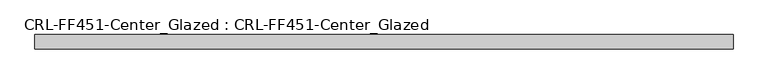
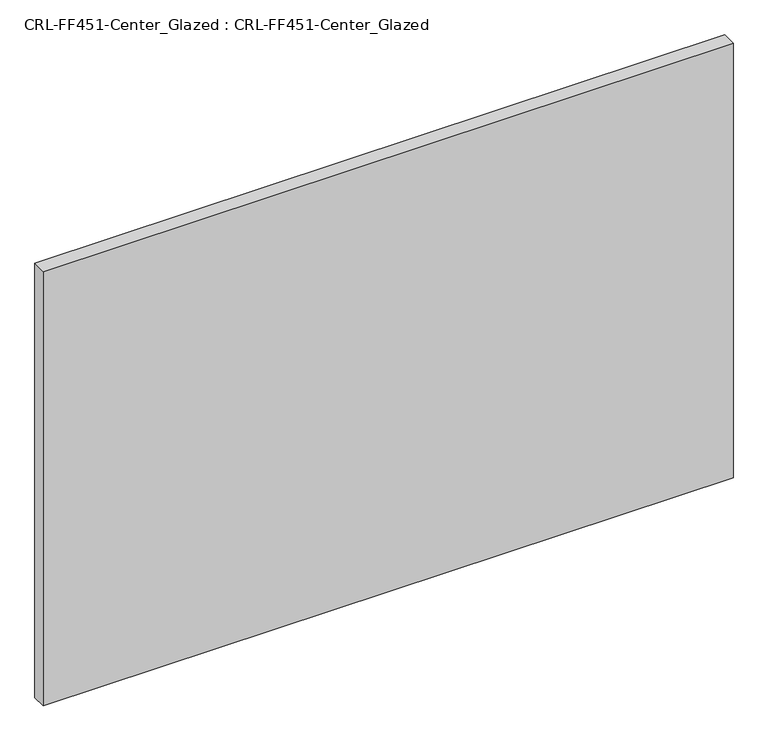
"""IFC4 building model written with IfcOpenShell, lengths in millimetres: plate geometry, CRL-FF451-Center_Glazed : CRL-FF451-Center_Glazed."""

import ifcopenshell
import ifcopenshell.guid

model = None  # the IFC model being written
_history = None  # IfcOwnerHistory: only IFC2X3 demands one
_inside = {}  # id of a spatial element -> (the spatial element, [elements in it])
_under = {}  # id of a project, library or spatial element -> (it, [spatial elements below it])
_declared = {}  # id of a project -> (the project, [libraries it declares])
_typed = {}  # id of a type object -> (the type object, [elements of that type])
_made_of = {}  # id of a material, layer set ... -> (it, [elements and type objects made of it])


def new_model(schema):
    """Start an empty IFC model of exactly this schema.

    Asked for "IFC4X3", IfcOpenShell would pick the latest addendum, in which some entities
    have other attributes; the version numbers below select the first issue.
    IFC2X3 requires an IfcOwnerHistory on every rooted entity: one is made here for all.
    """
    global model, _history
    if schema == "IFC4X3":
        model = ifcopenshell.file(schema_version=(4, 3, 0, 0))
    else:
        model = ifcopenshell.file(schema=schema)
    _inside.clear()
    _under.clear()
    _declared.clear()
    _typed.clear()
    _made_of.clear()
    _history = None
    if model.schema == "IFC2X3":
        org = make("IfcOrganization", Name="unknown")
        user = make(
            "IfcPersonAndOrganization",
            ThePerson=make("IfcPerson", FamilyName="unknown"),
            TheOrganization=org,
        )
        app = make(
            "IfcApplication",
            ApplicationDeveloper=org,
            Version="unknown",
            ApplicationFullName="unknown",
            ApplicationIdentifier="unknown",
        )
        _history = make(
            "IfcOwnerHistory",
            OwningUser=user,
            OwningApplication=app,
            ChangeAction="ADDED",
            CreationDate=0,
        )
    return model


def make(cls, **values):
    """One entity of the class cls with the attributes given. An attribute that is None is left unset."""
    return model.create_entity(
        cls, **{name: value for name, value in values.items() if value is not None}
    )


def rooted(cls, **values):
    """An entity with a GlobalId (a new one), such as an element, a storey or a relation."""
    return make(cls, GlobalId=ifcopenshell.guid.new(), OwnerHistory=_history, **values)


def si_unit(unit_type, name, prefix=None):
    """IfcSIUnit, for example si_unit("LENGTHUNIT", "METRE", prefix="MILLI")."""
    return make("IfcSIUnit", UnitType=unit_type, Prefix=prefix, Name=name)


def assignment(units):
    """IfcUnitAssignment: the units of a project."""
    return None if units is None else make("IfcUnitAssignment", Units=units)


def point(xyz):
    """IfcCartesianPoint."""
    return None if xyz is None else make("IfcCartesianPoint", Coordinates=xyz)


def direction(xyz):
    """IfcDirection."""
    return None if xyz is None else make("IfcDirection", DirectionRatios=xyz)


def frame(location, z_axis=None, x_axis=None):
    """IfcAxis2Placement3D, a coordinate frame: its origin and axes. An axis left out is left unset."""
    return make(
        "IfcAxis2Placement3D",
        Location=point(location),
        Axis=direction(z_axis),
        RefDirection=direction(x_axis),
    )


def origin():
    """The frame at (0, 0, 0) with its axes left unset."""
    return frame((0.0, 0.0, 0.0))


def origin_with_axes():
    """The frame at (0, 0, 0) with the z axis (0, 0, 1) and the x axis (1, 0, 0) written out."""
    return frame((0.0, 0.0, 0.0), z_axis=(0.0, 0.0, 1.0), x_axis=(1.0, 0.0, 0.0))


def place(relative_to, where):
    """IfcLocalPlacement: puts the frame where relative to a parent placement (None: the world)."""
    return make(
        "IfcLocalPlacement", PlacementRelTo=relative_to, RelativePlacement=where
    )


def context(
    kind, dimensions, precision=None, world=None, true_north=None, identifier=None
):
    """IfcGeometricRepresentationContext, for example the 3D "Model" context."""
    return make(
        "IfcGeometricRepresentationContext",
        ContextIdentifier=identifier,
        ContextType=kind,
        CoordinateSpaceDimension=dimensions,
        Precision=precision,
        WorldCoordinateSystem=world,
        TrueNorth=true_north,
    )


def project(units=None, contexts=None):
    """IfcProject with its units and contexts."""
    return rooted(
        "IfcProject",
        Name="project",
        RepresentationContexts=contexts,
        UnitsInContext=assignment(units),
    )


def spatial(cls, under=None, at=None, **own):
    """A site, building, storey or space (cls), placed at a placement, below another one or the project."""
    s = rooted(cls, ObjectPlacement=at, **own)
    if under is not None:
        _under.setdefault(under.id(), (under, []))[1].append(s)
    return s


def polyline(points):
    """IfcPolyline through the points."""
    return make("IfcPolyline", Points=[point(p) for p in points])


def outline(outer, holes=None, kind="AREA"):
    """IfcArbitraryClosedProfileDef: a profile drawn as a closed curve; with holes, ...WithVoids."""
    if holes is None:
        return make("IfcArbitraryClosedProfileDef", ProfileType=kind, OuterCurve=outer)
    return make(
        "IfcArbitraryProfileDefWithVoids",
        ProfileType=kind,
        OuterCurve=outer,
        InnerCurves=holes,
    )


def extrude(swept, where, along, depth):
    """IfcExtrudedAreaSolid: the profile swept, set in the frame where, extruded along a direction by depth."""
    return make(
        "IfcExtrudedAreaSolid",
        SweptArea=swept,
        Position=where,
        ExtrudedDirection=direction(along),
        Depth=depth,
    )


def shape(context_of_items, identifier, shape_type, items):
    """IfcShapeRepresentation: the items that make up one representation, for example the "Body"."""
    return make(
        "IfcShapeRepresentation",
        ContextOfItems=context_of_items,
        RepresentationIdentifier=identifier,
        RepresentationType=shape_type,
        Items=items,
    )


def source(mapping_origin, context_of_items, identifier, shape_type, items):
    """IfcRepresentationMap: a shape defined once, which mapped items show again and again."""
    return make(
        "IfcRepresentationMap",
        MappingOrigin=mapping_origin,
        MappedRepresentation=shape(context_of_items, identifier, shape_type, items),
    )


def transform(
    local_origin,
    x_axis=None,
    y_axis=None,
    z_axis=None,
    scale=None,
    scale2=None,
    scale3=None,
    uniform=True,
):
    """IfcCartesianTransformationOperator3D, or its non-uniform kind. x_axis, y_axis, z_axis: its Axis1, 2, 3."""
    if uniform:
        return make(
            "IfcCartesianTransformationOperator3D",
            Axis1=direction(x_axis),
            Axis2=direction(y_axis),
            LocalOrigin=point(local_origin),
            Scale=scale,
            Axis3=direction(z_axis),
        )
    return make(
        "IfcCartesianTransformationOperator3DnonUniform",
        Axis1=direction(x_axis),
        Axis2=direction(y_axis),
        LocalOrigin=point(local_origin),
        Scale=scale,
        Axis3=direction(z_axis),
        Scale2=scale2,
        Scale3=scale3,
    )


def mapped(mapping_source, mapping_target):
    """IfcMappedItem: shows the shape of a source again, moved by a transform."""
    return make(
        "IfcMappedItem", MappingSource=mapping_source, MappingTarget=mapping_target
    )


def made_of(thing, what):
    """Note that an element or type object is made of a material, layer set ...; save() writes the relation."""
    if what is not None:
        _made_of.setdefault(what.id(), (what, []))[1].append(thing)
    return thing


def element(
    cls,
    number,
    at=None,
    inside=None,
    cuts=None,
    type_object=None,
    material=None,
    context=None,
    identifier="Body",
    shape_type=None,
    held_by="IfcProductDefinitionShape",
    body=None,
    shapes=None,
    **own,
):
    """One element of the class cls, such as IfcWall. Its Tag is "e" and its number.

    at: its placement. inside: the storey or other place that contains it. cuts: it is an
    opening in that element (IfcRelVoidsElement). A single representation is given by context,
    identifier, shape_type and body (its items); several are given by shapes. held_by: the class
    of the entity that holds the representations. save() writes the other relations.
    """
    e = rooted(cls, Tag="e%d" % number, ObjectPlacement=at, **own)
    if body is not None:
        shapes = [shape(context, identifier, shape_type, body)]
    if shapes is not None:
        e.Representation = make(held_by, Representations=shapes)
    if inside is not None:
        _inside.setdefault(inside.id(), (inside, []))[1].append(e)
    if cuts is not None:
        rooted(
            "IfcRelVoidsElement", RelatingBuildingElement=cuts, RelatedOpeningElement=e
        )
    if type_object is not None:
        _typed.setdefault(type_object.id(), (type_object, []))[1].append(e)
    return made_of(e, material)


def aggregate(whole, parts):
    """IfcRelAggregates: a whole, such as a stair, and the parts it consists of."""
    return rooted("IfcRelAggregates", RelatingObject=whole, RelatedObjects=parts)


def save(model, path):
    """Write the relations noted so far, then the file.

    IfcRelAggregates (storeys below a building ...), IfcRelContainedInSpatialStructure (elements
    in a storey), IfcRelDefinesByType, IfcRelAssociatesMaterial and IfcRelDeclares: one each for
    every whole, place, type object, material and project.
    """
    for whole, parts in _under.values():
        aggregate(whole, parts)
    for where, things in _inside.values():
        rooted(
            "IfcRelContainedInSpatialStructure",
            RelatedElements=things,
            RelatingStructure=where,
        )
    for kind, things in _typed.values():
        rooted("IfcRelDefinesByType", RelatedObjects=things, RelatingType=kind)
    for what, things in _made_of.values():
        rooted("IfcRelAssociatesMaterial", RelatedObjects=things, RelatingMaterial=what)
    for by, libraries in _declared.values():
        rooted("IfcRelDeclares", RelatingContext=by, RelatedDefinitions=libraries)
    model.write(path)


def crl_ff451_center_glazed_crl_ff451_center_glazed_3927b8bc(model_context):
    return source(origin(), model_context, "Body", "SweptSolid", [
        extrude(outline(polyline([(-612.2702761, -12.709956), (-612.2702761, 12.709956), (612.2702761, 12.709956), (612.2702761, -12.709956), (-612.2702761, -12.709956)])), origin_with_axes(), (0.0, 0.0, 1.0), 815.1595339),
    ])


if __name__ == "__main__":
    model = new_model("IFC4")
    model_context = context("Model", 3, world=origin())
    ifc_project = project(units=[si_unit("LENGTHUNIT", "METRE", prefix="MILLI")], contexts=[model_context])
    site = spatial("IfcSite", under=ifc_project)
    building = spatial("IfcBuilding", under=site)
    placement = place(None, origin())
    crl_ff451_center_glazed_crl_ff451_center_glazed_shape = crl_ff451_center_glazed_crl_ff451_center_glazed_3927b8bc(model_context)
    element("IfcPlate", 1, ObjectType="CRL-FF451-Center_Glazed : CRL-FF451-Center_Glazed", at=placement, inside=building, context=model_context, shape_type="MappedRepresentation", body=[
        mapped(crl_ff451_center_glazed_crl_ff451_center_glazed_shape, transform((0.0, 0.0, 0.0), x_axis=(1.0, 0.0, 0.0), y_axis=(0.0, 1.0, 0.0), z_axis=(0.0, 0.0, 1.0))),
    ])
    save(model, "model.ifc")
